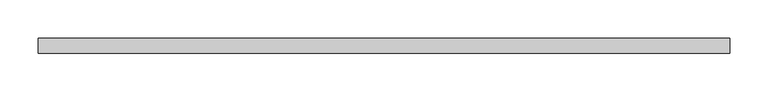
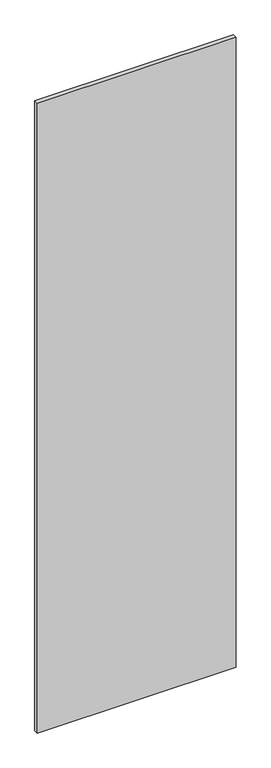
"""IFC4 building model written with IfcOpenShell, lengths in millimetres: proxy geometry."""

import ifcopenshell
import ifcopenshell.guid

model = None  # the IFC model being written
_history = None  # IfcOwnerHistory: only IFC2X3 demands one
_inside = {}  # id of a spatial element -> (the spatial element, [elements in it])
_under = {}  # id of a project, library or spatial element -> (it, [spatial elements below it])
_declared = {}  # id of a project -> (the project, [libraries it declares])
_typed = {}  # id of a type object -> (the type object, [elements of that type])
_made_of = {}  # id of a material, layer set ... -> (it, [elements and type objects made of it])


def new_model(schema):
    """Start an empty IFC model of exactly this schema.

    Asked for "IFC4X3", IfcOpenShell would pick the latest addendum, in which some entities
    have other attributes; the version numbers below select the first issue.
    IFC2X3 requires an IfcOwnerHistory on every rooted entity: one is made here for all.
    """
    global model, _history
    if schema == "IFC4X3":
        model = ifcopenshell.file(schema_version=(4, 3, 0, 0))
    else:
        model = ifcopenshell.file(schema=schema)
    _inside.clear()
    _under.clear()
    _declared.clear()
    _typed.clear()
    _made_of.clear()
    _history = None
    if model.schema == "IFC2X3":
        org = make("IfcOrganization", Name="unknown")
        user = make(
            "IfcPersonAndOrganization",
            ThePerson=make("IfcPerson", FamilyName="unknown"),
            TheOrganization=org,
        )
        app = make(
            "IfcApplication",
            ApplicationDeveloper=org,
            Version="unknown",
            ApplicationFullName="unknown",
            ApplicationIdentifier="unknown",
        )
        _history = make(
            "IfcOwnerHistory",
            OwningUser=user,
            OwningApplication=app,
            ChangeAction="ADDED",
            CreationDate=0,
        )
    return model


def make(cls, **values):
    """One entity of the class cls with the attributes given. An attribute that is None is left unset."""
    return model.create_entity(
        cls, **{name: value for name, value in values.items() if value is not None}
    )


def rooted(cls, **values):
    """An entity with a GlobalId (a new one), such as an element, a storey or a relation."""
    return make(cls, GlobalId=ifcopenshell.guid.new(), OwnerHistory=_history, **values)


def si_unit(unit_type, name, prefix=None):
    """IfcSIUnit, for example si_unit("LENGTHUNIT", "METRE", prefix="MILLI")."""
    return make("IfcSIUnit", UnitType=unit_type, Prefix=prefix, Name=name)


def assignment(units):
    """IfcUnitAssignment: the units of a project."""
    return None if units is None else make("IfcUnitAssignment", Units=units)


def point(xyz):
    """IfcCartesianPoint."""
    return None if xyz is None else make("IfcCartesianPoint", Coordinates=xyz)


def direction(xyz):
    """IfcDirection."""
    return None if xyz is None else make("IfcDirection", DirectionRatios=xyz)


def frame(location, z_axis=None, x_axis=None):
    """IfcAxis2Placement3D, a coordinate frame: its origin and axes. An axis left out is left unset."""
    return make(
        "IfcAxis2Placement3D",
        Location=point(location),
        Axis=direction(z_axis),
        RefDirection=direction(x_axis),
    )


def origin():
    """The frame at (0, 0, 0) with its axes left unset."""
    return frame((0.0, 0.0, 0.0))


def place(relative_to, where):
    """IfcLocalPlacement: puts the frame where relative to a parent placement (None: the world)."""
    return make(
        "IfcLocalPlacement", PlacementRelTo=relative_to, RelativePlacement=where
    )


def context(
    kind, dimensions, precision=None, world=None, true_north=None, identifier=None
):
    """IfcGeometricRepresentationContext, for example the 3D "Model" context."""
    return make(
        "IfcGeometricRepresentationContext",
        ContextIdentifier=identifier,
        ContextType=kind,
        CoordinateSpaceDimension=dimensions,
        Precision=precision,
        WorldCoordinateSystem=world,
        TrueNorth=true_north,
    )


def project(units=None, contexts=None):
    """IfcProject with its units and contexts."""
    return rooted(
        "IfcProject",
        Name="project",
        RepresentationContexts=contexts,
        UnitsInContext=assignment(units),
    )


def spatial(cls, under=None, at=None, **own):
    """A site, building, storey or space (cls), placed at a placement, below another one or the project."""
    s = rooted(cls, ObjectPlacement=at, **own)
    if under is not None:
        _under.setdefault(under.id(), (under, []))[1].append(s)
    return s


def polyline(points):
    """IfcPolyline through the points."""
    return make("IfcPolyline", Points=[point(p) for p in points])


def outline(outer, holes=None, kind="AREA"):
    """IfcArbitraryClosedProfileDef: a profile drawn as a closed curve; with holes, ...WithVoids."""
    if holes is None:
        return make("IfcArbitraryClosedProfileDef", ProfileType=kind, OuterCurve=outer)
    return make(
        "IfcArbitraryProfileDefWithVoids",
        ProfileType=kind,
        OuterCurve=outer,
        InnerCurves=holes,
    )


def extrude(swept, where, along, depth):
    """IfcExtrudedAreaSolid: the profile swept, set in the frame where, extruded along a direction by depth."""
    return make(
        "IfcExtrudedAreaSolid",
        SweptArea=swept,
        Position=where,
        ExtrudedDirection=direction(along),
        Depth=depth,
    )


def shape(context_of_items, identifier, shape_type, items):
    """IfcShapeRepresentation: the items that make up one representation, for example the "Body"."""
    return make(
        "IfcShapeRepresentation",
        ContextOfItems=context_of_items,
        RepresentationIdentifier=identifier,
        RepresentationType=shape_type,
        Items=items,
    )


def source(mapping_origin, context_of_items, identifier, shape_type, items):
    """IfcRepresentationMap: a shape defined once, which mapped items show again and again."""
    return make(
        "IfcRepresentationMap",
        MappingOrigin=mapping_origin,
        MappedRepresentation=shape(context_of_items, identifier, shape_type, items),
    )


def transform(
    local_origin,
    x_axis=None,
    y_axis=None,
    z_axis=None,
    scale=None,
    scale2=None,
    scale3=None,
    uniform=True,
):
    """IfcCartesianTransformationOperator3D, or its non-uniform kind. x_axis, y_axis, z_axis: its Axis1, 2, 3."""
    if uniform:
        return make(
            "IfcCartesianTransformationOperator3D",
            Axis1=direction(x_axis),
            Axis2=direction(y_axis),
            LocalOrigin=point(local_origin),
            Scale=scale,
            Axis3=direction(z_axis),
        )
    return make(
        "IfcCartesianTransformationOperator3DnonUniform",
        Axis1=direction(x_axis),
        Axis2=direction(y_axis),
        LocalOrigin=point(local_origin),
        Scale=scale,
        Axis3=direction(z_axis),
        Scale2=scale2,
        Scale3=scale3,
    )


def mapped(mapping_source, mapping_target):
    """IfcMappedItem: shows the shape of a source again, moved by a transform."""
    return make(
        "IfcMappedItem", MappingSource=mapping_source, MappingTarget=mapping_target
    )


def made_of(thing, what):
    """Note that an element or type object is made of a material, layer set ...; save() writes the relation."""
    if what is not None:
        _made_of.setdefault(what.id(), (what, []))[1].append(thing)
    return thing


def element(
    cls,
    number,
    at=None,
    inside=None,
    cuts=None,
    type_object=None,
    material=None,
    context=None,
    identifier="Body",
    shape_type=None,
    held_by="IfcProductDefinitionShape",
    body=None,
    shapes=None,
    **own,
):
    """One element of the class cls, such as IfcWall. Its Tag is "e" and its number.

    at: its placement. inside: the storey or other place that contains it. cuts: it is an
    opening in that element (IfcRelVoidsElement). A single representation is given by context,
    identifier, shape_type and body (its items); several are given by shapes. held_by: the class
    of the entity that holds the representations. save() writes the other relations.
    """
    e = rooted(cls, Tag="e%d" % number, ObjectPlacement=at, **own)
    if body is not None:
        shapes = [shape(context, identifier, shape_type, body)]
    if shapes is not None:
        e.Representation = make(held_by, Representations=shapes)
    if inside is not None:
        _inside.setdefault(inside.id(), (inside, []))[1].append(e)
    if cuts is not None:
        rooted(
            "IfcRelVoidsElement", RelatingBuildingElement=cuts, RelatedOpeningElement=e
        )
    if type_object is not None:
        _typed.setdefault(type_object.id(), (type_object, []))[1].append(e)
    return made_of(e, material)


def aggregate(whole, parts):
    """IfcRelAggregates: a whole, such as a stair, and the parts it consists of."""
    return rooted("IfcRelAggregates", RelatingObject=whole, RelatedObjects=parts)


def save(model, path):
    """Write the relations noted so far, then the file.

    IfcRelAggregates (storeys below a building ...), IfcRelContainedInSpatialStructure (elements
    in a storey), IfcRelDefinesByType, IfcRelAssociatesMaterial and IfcRelDeclares: one each for
    every whole, place, type object, material and project.
    """
    for whole, parts in _under.values():
        aggregate(whole, parts)
    for where, things in _inside.values():
        rooted(
            "IfcRelContainedInSpatialStructure",
            RelatedElements=things,
            RelatingStructure=where,
        )
    for kind, things in _typed.values():
        rooted("IfcRelDefinesByType", RelatedObjects=things, RelatingType=kind)
    for what, things in _made_of.values():
        rooted("IfcRelAssociatesMaterial", RelatedObjects=things, RelatingMaterial=what)
    for by, libraries in _declared.values():
        rooted("IfcRelDeclares", RelatingContext=by, RelatedDefinitions=libraries)
    model.write(path)


def specialty_equipment_407af296(model_context):
    return source(origin(), model_context, "Body", "SweptSolid", [
        extrude(outline(polyline([(450.1420252, -9.525), (-450.1420252, -9.525), (-450.1420252, 9.525), (450.1420252, 9.525), (450.1420252, -9.525)])), frame((0.0, 0.0, 3.175), z_axis=(0.0, 0.0, 1.0), x_axis=(1.0, 0.0, 0.0)), (0.0, 0.0, 1.0), 3013.075),
    ])


if __name__ == "__main__":
    model = new_model("IFC4")
    model_context = context("Model", 3, world=origin())
    ifc_project = project(units=[si_unit("LENGTHUNIT", "METRE", prefix="MILLI")], contexts=[model_context])
    site = spatial("IfcSite", under=ifc_project)
    building = spatial("IfcBuilding", under=site)
    placement = place(None, origin())
    specialty_equipment_shape = specialty_equipment_407af296(model_context)
    element("IfcBuildingElementProxy", 1, Name="Specialty Equipment", at=placement, inside=building, context=model_context, shape_type="MappedRepresentation", body=[
        mapped(specialty_equipment_shape, transform((0.0, 0.0, 0.0), x_axis=(1.0, 0.0, 0.0), y_axis=(0.0, 1.0, 0.0), z_axis=(0.0, 0.0, 1.0))),
    ])
    save(model, "model.ifc")
